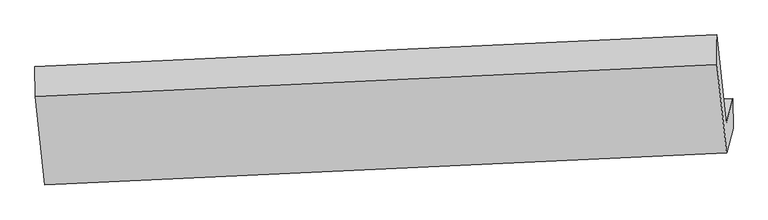
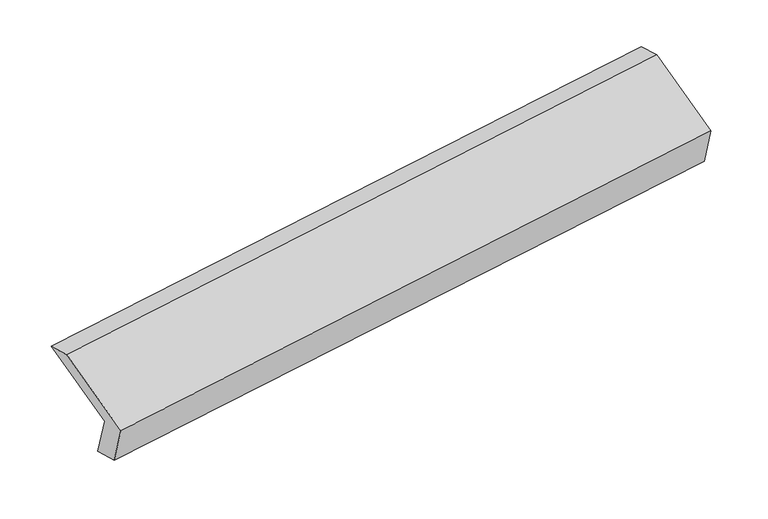
"""IFC4 building model written with IfcOpenShell, lengths in millimetres: proxy geometry."""

import ifcopenshell
import ifcopenshell.guid

model = None  # the IFC model being written
_history = None  # IfcOwnerHistory: only IFC2X3 demands one
_inside = {}  # id of a spatial element -> (the spatial element, [elements in it])
_under = {}  # id of a project, library or spatial element -> (it, [spatial elements below it])
_declared = {}  # id of a project -> (the project, [libraries it declares])
_typed = {}  # id of a type object -> (the type object, [elements of that type])
_made_of = {}  # id of a material, layer set ... -> (it, [elements and type objects made of it])


def new_model(schema):
    """Start an empty IFC model of exactly this schema.

    Asked for "IFC4X3", IfcOpenShell would pick the latest addendum, in which some entities
    have other attributes; the version numbers below select the first issue.
    IFC2X3 requires an IfcOwnerHistory on every rooted entity: one is made here for all.
    """
    global model, _history
    if schema == "IFC4X3":
        model = ifcopenshell.file(schema_version=(4, 3, 0, 0))
    else:
        model = ifcopenshell.file(schema=schema)
    _inside.clear()
    _under.clear()
    _declared.clear()
    _typed.clear()
    _made_of.clear()
    _history = None
    if model.schema == "IFC2X3":
        org = make("IfcOrganization", Name="unknown")
        user = make(
            "IfcPersonAndOrganization",
            ThePerson=make("IfcPerson", FamilyName="unknown"),
            TheOrganization=org,
        )
        app = make(
            "IfcApplication",
            ApplicationDeveloper=org,
            Version="unknown",
            ApplicationFullName="unknown",
            ApplicationIdentifier="unknown",
        )
        _history = make(
            "IfcOwnerHistory",
            OwningUser=user,
            OwningApplication=app,
            ChangeAction="ADDED",
            CreationDate=0,
        )
    return model


def make(cls, **values):
    """One entity of the class cls with the attributes given. An attribute that is None is left unset."""
    return model.create_entity(
        cls, **{name: value for name, value in values.items() if value is not None}
    )


def rooted(cls, **values):
    """An entity with a GlobalId (a new one), such as an element, a storey or a relation."""
    return make(cls, GlobalId=ifcopenshell.guid.new(), OwnerHistory=_history, **values)


def si_unit(unit_type, name, prefix=None):
    """IfcSIUnit, for example si_unit("LENGTHUNIT", "METRE", prefix="MILLI")."""
    return make("IfcSIUnit", UnitType=unit_type, Prefix=prefix, Name=name)


def assignment(units):
    """IfcUnitAssignment: the units of a project."""
    return None if units is None else make("IfcUnitAssignment", Units=units)


def point(xyz):
    """IfcCartesianPoint."""
    return None if xyz is None else make("IfcCartesianPoint", Coordinates=xyz)


def direction(xyz):
    """IfcDirection."""
    return None if xyz is None else make("IfcDirection", DirectionRatios=xyz)


def frame(location, z_axis=None, x_axis=None):
    """IfcAxis2Placement3D, a coordinate frame: its origin and axes. An axis left out is left unset."""
    return make(
        "IfcAxis2Placement3D",
        Location=point(location),
        Axis=direction(z_axis),
        RefDirection=direction(x_axis),
    )


def origin():
    """The frame at (0, 0, 0) with its axes left unset."""
    return frame((0.0, 0.0, 0.0))


def place(relative_to, where):
    """IfcLocalPlacement: puts the frame where relative to a parent placement (None: the world)."""
    return make(
        "IfcLocalPlacement", PlacementRelTo=relative_to, RelativePlacement=where
    )


def context(
    kind, dimensions, precision=None, world=None, true_north=None, identifier=None
):
    """IfcGeometricRepresentationContext, for example the 3D "Model" context."""
    return make(
        "IfcGeometricRepresentationContext",
        ContextIdentifier=identifier,
        ContextType=kind,
        CoordinateSpaceDimension=dimensions,
        Precision=precision,
        WorldCoordinateSystem=world,
        TrueNorth=true_north,
    )


def project(units=None, contexts=None):
    """IfcProject with its units and contexts."""
    return rooted(
        "IfcProject",
        Name="project",
        RepresentationContexts=contexts,
        UnitsInContext=assignment(units),
    )


def spatial(cls, under=None, at=None, **own):
    """A site, building, storey or space (cls), placed at a placement, below another one or the project."""
    s = rooted(cls, ObjectPlacement=at, **own)
    if under is not None:
        _under.setdefault(under.id(), (under, []))[1].append(s)
    return s


def shape(context_of_items, identifier, shape_type, items):
    """IfcShapeRepresentation: the items that make up one representation, for example the "Body"."""
    return make(
        "IfcShapeRepresentation",
        ContextOfItems=context_of_items,
        RepresentationIdentifier=identifier,
        RepresentationType=shape_type,
        Items=items,
    )


def source(mapping_origin, context_of_items, identifier, shape_type, items):
    """IfcRepresentationMap: a shape defined once, which mapped items show again and again."""
    return make(
        "IfcRepresentationMap",
        MappingOrigin=mapping_origin,
        MappedRepresentation=shape(context_of_items, identifier, shape_type, items),
    )


def transform(
    local_origin,
    x_axis=None,
    y_axis=None,
    z_axis=None,
    scale=None,
    scale2=None,
    scale3=None,
    uniform=True,
):
    """IfcCartesianTransformationOperator3D, or its non-uniform kind. x_axis, y_axis, z_axis: its Axis1, 2, 3."""
    if uniform:
        return make(
            "IfcCartesianTransformationOperator3D",
            Axis1=direction(x_axis),
            Axis2=direction(y_axis),
            LocalOrigin=point(local_origin),
            Scale=scale,
            Axis3=direction(z_axis),
        )
    return make(
        "IfcCartesianTransformationOperator3DnonUniform",
        Axis1=direction(x_axis),
        Axis2=direction(y_axis),
        LocalOrigin=point(local_origin),
        Scale=scale,
        Axis3=direction(z_axis),
        Scale2=scale2,
        Scale3=scale3,
    )


def mapped(mapping_source, mapping_target):
    """IfcMappedItem: shows the shape of a source again, moved by a transform."""
    return make(
        "IfcMappedItem", MappingSource=mapping_source, MappingTarget=mapping_target
    )


def made_of(thing, what):
    """Note that an element or type object is made of a material, layer set ...; save() writes the relation."""
    if what is not None:
        _made_of.setdefault(what.id(), (what, []))[1].append(thing)
    return thing


def element(
    cls,
    number,
    at=None,
    inside=None,
    cuts=None,
    type_object=None,
    material=None,
    context=None,
    identifier="Body",
    shape_type=None,
    held_by="IfcProductDefinitionShape",
    body=None,
    shapes=None,
    **own,
):
    """One element of the class cls, such as IfcWall. Its Tag is "e" and its number.

    at: its placement. inside: the storey or other place that contains it. cuts: it is an
    opening in that element (IfcRelVoidsElement). A single representation is given by context,
    identifier, shape_type and body (its items); several are given by shapes. held_by: the class
    of the entity that holds the representations. save() writes the other relations.
    """
    e = rooted(cls, Tag="e%d" % number, ObjectPlacement=at, **own)
    if body is not None:
        shapes = [shape(context, identifier, shape_type, body)]
    if shapes is not None:
        e.Representation = make(held_by, Representations=shapes)
    if inside is not None:
        _inside.setdefault(inside.id(), (inside, []))[1].append(e)
    if cuts is not None:
        rooted(
            "IfcRelVoidsElement", RelatingBuildingElement=cuts, RelatedOpeningElement=e
        )
    if type_object is not None:
        _typed.setdefault(type_object.id(), (type_object, []))[1].append(e)
    return made_of(e, material)


def aggregate(whole, parts):
    """IfcRelAggregates: a whole, such as a stair, and the parts it consists of."""
    return rooted("IfcRelAggregates", RelatingObject=whole, RelatedObjects=parts)


def save(model, path):
    """Write the relations noted so far, then the file.

    IfcRelAggregates (storeys below a building ...), IfcRelContainedInSpatialStructure (elements
    in a storey), IfcRelDefinesByType, IfcRelAssociatesMaterial and IfcRelDeclares: one each for
    every whole, place, type object, material and project.
    """
    for whole, parts in _under.values():
        aggregate(whole, parts)
    for where, things in _inside.values():
        rooted(
            "IfcRelContainedInSpatialStructure",
            RelatedElements=things,
            RelatingStructure=where,
        )
    for kind, things in _typed.values():
        rooted("IfcRelDefinesByType", RelatedObjects=things, RelatingType=kind)
    for what, things in _made_of.values():
        rooted("IfcRelAssociatesMaterial", RelatedObjects=things, RelatingMaterial=what)
    for by, libraries in _declared.values():
        rooted("IfcRelDeclares", RelatingContext=by, RelatedDefinitions=libraries)
    model.write(path)


def plane_surface(at):
    """IfcPlane: the flat surface through the origin of the frame at, square to its z axis."""
    return make("IfcPlane", Position=at)


def spline_surface(u_degree, v_degree, points, u_multiplicities, v_multiplicities, u_knots, v_knots, weights=None):
    """IfcBSplineSurfaceWithKnots; with weights, IfcRationalBSplineSurfaceWithKnots. points: one row for each step in u."""
    own = dict(
        UDegree=u_degree,
        VDegree=v_degree,
        ControlPointsList=[[point(p) for p in row] for row in points],
        SurfaceForm="UNSPECIFIED",
        UClosed=False,
        VClosed=False,
        SelfIntersect=False,
        UMultiplicities=u_multiplicities,
        VMultiplicities=v_multiplicities,
        UKnots=u_knots,
        VKnots=v_knots,
        KnotSpec="UNSPECIFIED",
    )
    if weights is None:
        return make("IfcBSplineSurfaceWithKnots", **own)
    return make("IfcRationalBSplineSurfaceWithKnots", WeightsData=weights, **own)


def advanced_brep(points, edges, surfaces, faces):
    """IfcAdvancedBrep: a solid bounded by faces that lie on surfaces and meet in shared edges.

    An edge is (start, end): straight between two places in points (the first is 0);
    or (start, end, curve); or (start, end, curve, False) where it runs against its curve.
    A face is (place in surfaces, loops), or (place, loops, False) where it looks against
    its surface's normal. A loop lists edges by number (the first is 1), with a minus sign
    where the edge is run from its end to its start. The first loop is the outer one.
    """
    corners = [point(p) for p in points]
    vertices = [make("IfcVertexPoint", VertexGeometry=c) for c in corners]
    made = []
    for start, end, *more in edges:
        made.append(
            make(
                "IfcEdgeCurve",
                EdgeStart=vertices[start],
                EdgeEnd=vertices[end],
                EdgeGeometry=more[0] if more else make("IfcPolyline", Points=[corners[start], corners[end]]),
                SameSense=more[1] if len(more) > 1 else True,
            )
        )
    hull = []
    for where, loops, *sense in faces:
        bounds = []
        for j, loop in enumerate(loops):
            ring = [make("IfcOrientedEdge", EdgeElement=made[abs(k) - 1], Orientation=k > 0) for k in loop]
            bounds.append(
                make(
                    "IfcFaceOuterBound" if j == 0 else "IfcFaceBound",
                    Bound=make("IfcEdgeLoop", EdgeList=ring),
                    Orientation=True,
                )
            )
        hull.append(make("IfcAdvancedFace", Bounds=bounds, FaceSurface=surfaces[where], SameSense=sense[0] if sense else True))
    return make("IfcAdvancedBrep", Outer=make("IfcClosedShell", CfsFaces=hull))


def generic_models_9c6689e5(model_context):
    return source(origin(), model_context, "Body", "AdvancedBrep", [
        advanced_brep(
        [(-5167.7350672, -1599.2232581, 1231.3529132), (-5211.2290353, -1766.1240573, 1592.2935682), (-497.6578095, -1554.8659955, 2269.0568372), (-453.0765797, -1383.7930121, 1899.093392), (-5165.2345135, -1814.0691756, 1283.0122823), (-451.5682924, -1589.5621123, 1954.8303579), (-5208.7284815, -1980.9699748, 1643.9529373), (-496.1495222, -1760.6350957, 2324.7938031), (-5275.7483012, -1367.9021219, 1919.3626352), (-563.1693419, -1147.5672428, 2600.2035009), (-5277.2565886, -1162.1330216, 1863.6256693), (-564.6776292, -941.7981426, 2544.466535)],
        [
            (0, 1),
            (1, 2),
            (2, 3),
            (3, 0),
            (4, 0),
            (3, 5),
            (5, 4),
            (6, 4),
            (5, 7),
            (7, 6),
            (8, 6),
            (7, 9),
            (9, 8),
            (10, 8),
            (9, 11),
            (11, 10),
            (1, 10),
            (11, 2),
        ],
        [
            plane_surface(frame((-5189.4820513, -1682.6736577, 1411.8232407), z_axis=(-0.09922664421852545, 0.9076817273415603, 0.4077596779076763), x_axis=(-0.10872616852530569, -0.4172184152902255, 0.9022790112933582))),
            spline_surface(1, 1, [[(-5165.2345135, -1814.0691756, 1283.0122823), (-451.5682924, -1589.5621123, 1954.8303579)], [(-5167.7350672, -1599.2232581, 1231.3529132), (-453.0765797, -1383.7930121, 1899.093392)]], [2, 2], [2, 2], [0.0, 1.0], [0.0, 1.0]),
            plane_surface(frame((-5186.9814975, -1897.5195752, 1463.4826098), z_axis=(0.10130150837112992, -0.9075849116124062, -0.40746488513151036), x_axis=(0.10872616852530566, 0.417218415290226, -0.9022790112933579))),
            plane_surface(frame((-5242.2383914, -1674.4360483, 1781.6577863), z_axis=(-0.11080101177260301, -0.4173123153531585, 0.901983130243994), x_axis=(0.09922664421852687, -0.9076817273415604, -0.4077596779076756))),
            plane_surface(frame((-5276.5024449, -1265.0175717, 1891.4941522), z_axis=(-0.14994914896320694, 0.25746954408810174, 0.9545808957821622), x_axis=(0.007074863361885836, -0.9651929416630074, 0.261443171018715))),
            plane_surface(frame((-5244.2428119, -1464.1285395, 1727.9596188), z_axis=(0.11080101177260263, 0.41731231535315855, -0.9019831302439939), x_axis=(-0.09922664421852688, 0.9076817273415603, 0.40775967790767564))),
            plane_surface(frame((-504.3831958, -1396.3702668, 2265.4074044), z_axis=(0.9891070181506836, 0.04519597098143591, 0.14008793970969988), x_axis=(0.09922664421852687, -0.9076817273415604, -0.4077596779076756))),
            plane_surface(frame((-5217.6553312, -1615.0702682, 1588.9333342), z_axis=(-0.9891070181506839, -0.04519597098143383, -0.14008793970969885), x_axis=(0.10872616852530562, 0.4172184152902256, -0.9022790112933581))),
        ],
        [
            (0, [[1, 2, 3, 4]]),
            (1, [[5, -4, 6, 7]]),
            (2, [[8, -7, 9, 10]]),
            (3, [[11, -10, 12, 13]]),
            (4, [[14, -13, 15, 16]]),
            (5, [[17, -16, 18, -2]]),
            (6, [[-12, -9, -6, -3, -18, -15]]),
            (7, [[-1, -5, -8, -11, -14, -17]]),
        ],
    ),
    ])


if __name__ == "__main__":
    model = new_model("IFC4")
    model_context = context("Model", 3, world=origin())
    ifc_project = project(units=[si_unit("LENGTHUNIT", "METRE", prefix="MILLI")], contexts=[model_context])
    site = spatial("IfcSite", under=ifc_project)
    building = spatial("IfcBuilding", under=site)
    placement = place(None, origin())
    generic_models_shape = generic_models_9c6689e5(model_context)
    element("IfcBuildingElementProxy", 1, Name="Generic Models", at=placement, inside=building, context=model_context, shape_type="MappedRepresentation", body=[
        mapped(generic_models_shape, transform((0.0, 0.0, 0.0), x_axis=(1.0, 0.0, 0.0), y_axis=(0.0, 1.0, 0.0), z_axis=(0.0, 0.0, 1.0))),
    ])
    save(model, "model.ifc")
